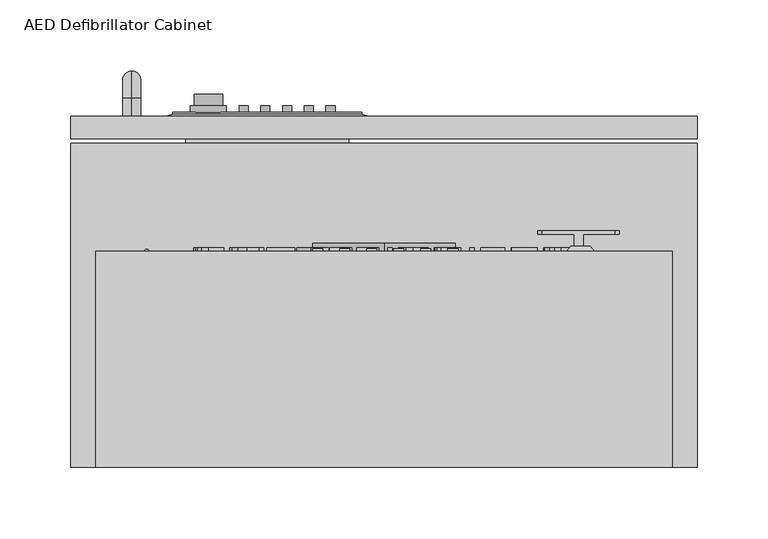
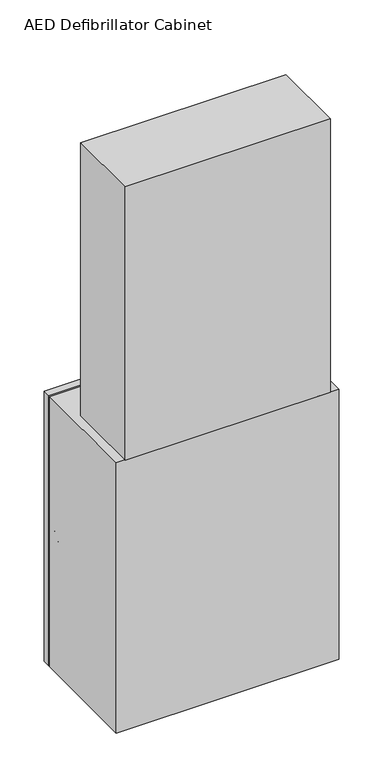
"""IFC4 building model written with IfcOpenShell, lengths in millimetres: proxy geometry, AED Defibrillator Cabinet."""

from ifc_helpers import new_model, si_unit, point, frame, frame_2d, origin, place, context, project, spatial, polyline, circle_curve, ellipse_curve, trimmed, segment, composite_curve, outline, extrude, faceted_brep, source, transform, mapped, element, save
from ifc_brep_helpers import plane_surface, cylinder_surface, revolved_surface, extruded_surface, advanced_brep


def aed_defibrillator_cabinet_aa2963c0(model_context):
    return source(origin(), model_context, "Body", "SolidModel", [
        faceted_brep([(-15.5662807, 350.6462657, 1050.925), (-148.9162807, 350.6462657, 1050.925), (-148.9162807, 350.6462657, 1069.975), (-15.5662807, 350.6462657, 1069.975), (-11.1125, 349.25, 1038.225), (-11.1125, 349.25, 1082.675), (-153.9875, 349.25, 1082.675), (-153.9875, 349.25, 1038.225)], [[[0, 1, 2, 3]], [[4, 5, 6, 7]], [[4, 7, 1, 0]], [[7, 6, 2, 1]], [[6, 5, 3, 2]], [[5, 4, 0, 3]]]),
        extrude(outline(polyline([(-139.7, 342.1343826), (-24.8172321, 342.1343826), (-24.8172321, 329.6839733), (-139.7, 329.6839733), (-139.7, 342.1343826)])), frame((0.0, 0.0, 1050.925), z_axis=(0.0, 0.0, 1.0), x_axis=(1.0, 0.0, 0.0)), (0.0, 0.0, 1.0), 19.05),
        advanced_brep(
        [(-113.7031588, 364.6089733, 1060.45), (-133.7508181, 364.6089733, 1060.45), (-113.7031588, 356.5736838, 1060.45), (-133.7508181, 356.5736838, 1060.45)],
        [
            (0, 1, ellipse_curve(frame((-123.7269885, 364.6089733, 1060.308908), z_axis=(0.0, 1.0, 0.0), x_axis=(-1.0, 0.0, 0.0)), 10.0366454, 2.7928582)),
            (1, 0, ellipse_curve(frame((-123.7269885, 364.6089733, 1060.591092), z_axis=(0.0, 1.0, 0.0), x_axis=(-1.0, 0.0, 0.0)), 10.0366454, 2.7928582)),
            (2, 3, ellipse_curve(frame((-123.7269885, 356.5736838, 1060.591092), z_axis=(0.0, -1.0, 0.0), x_axis=(-1.0, 0.0, 0.0)), 10.0366454, 2.7928582)),
            (3, 2, ellipse_curve(frame((-123.7269885, 356.5736838, 1060.308908), z_axis=(0.0, -1.0, 0.0), x_axis=(-1.0, 0.0, 0.0)), 10.0366454, 2.7928582)),
            (0, 2),
            (3, 1),
        ],
        [
            plane_surface(frame((-133.7636339, 364.6089733, 1060.308908), z_axis=(0.0, 1.0, 0.0), x_axis=(0.0, 0.0, 1.0))),
            plane_surface(frame((-133.7636339, 356.5736838, 1060.308908), z_axis=(0.0, -1.0, 0.0), x_axis=(0.0, 0.0, -1.0))),
            extruded_surface(trimmed(ellipse_curve(frame((-123.7269885, 348.5383944, 1060.308908), z_axis=(0.0, 1.0, 0.0), x_axis=(-1.0, 0.0, 0.0)), 10.0366454, 2.7928582), [point((-113.7031588, 348.5383944, 1060.45))], [point((-133.7508181, 348.5383944, 1060.45))], True, "CARTESIAN"), (0.0, 8.03528940000001, 0.0), 8.03528940000001),
            extruded_surface(trimmed(ellipse_curve(frame((-123.7269885, 348.5383944, 1060.591092), z_axis=(0.0, 1.0, 0.0), x_axis=(-1.0, 0.0, 0.0)), 10.0366454, 2.7928582), [point((-133.7508181, 348.5383944, 1060.45))], [point((-113.7031588, 348.5383944, 1060.45))], True, "CARTESIAN"), (0.0, 8.03528940000001, 0.0), 8.03528940000001),
        ],
        [
            (0, [[1, 2]]),
            (1, [[3, 4]]),
            (2, [[-1, 5, -4, 6]]),
            (3, [[-2, -6, -3, -5]]),
        ],
    ),
        extrude(outline(composite_curve([segment(trimmed(circle_curve(frame_2d((1060.45, -99.0035386)), 3.175), [point((1060.45, -102.1785386))], [point((1060.45, -95.8285386))], False, "CARTESIAN"), True, "CONTINUOUS"), segment(trimmed(circle_curve(frame_2d((1060.45, -99.0035386)), 3.175), [point((1060.45, -95.8285386))], [point((1060.45, -102.1785386))], False, "CARTESIAN"), True, "CONTINUOUS")], self_intersect=False)), frame((0.0, 351.9089733, 0.0), z_axis=(0.0, 1.0, 0.0), x_axis=(0.0, 0.0, 1.0)), (0.0, 0.0, 1.0), 4.6647105),
        extrude(outline(composite_curve([segment(trimmed(circle_curve(frame_2d((1060.45, -83.6807345)), 3.175), [point((1060.45, -86.8557345))], [point((1060.45, -80.5057345))], False, "CARTESIAN"), True, "CONTINUOUS"), segment(trimmed(circle_curve(frame_2d((1060.45, -83.6807345)), 3.175), [point((1060.45, -80.5057345))], [point((1060.45, -86.8557345))], False, "CARTESIAN"), True, "CONTINUOUS")], self_intersect=False)), frame((0.0, 351.9089733, 0.0), z_axis=(0.0, 1.0, 0.0), x_axis=(0.0, 0.0, 1.0)), (0.0, 0.0, 1.0), 4.6647105),
        extrude(outline(composite_curve([segment(trimmed(circle_curve(frame_2d((1060.45, -68.3579304)), 3.175), [point((1060.45, -71.5329304))], [point((1060.45, -65.1829304))], False, "CARTESIAN"), True, "CONTINUOUS"), segment(trimmed(circle_curve(frame_2d((1060.45, -68.3579304)), 3.175), [point((1060.45, -65.1829304))], [point((1060.45, -71.5329304))], False, "CARTESIAN"), True, "CONTINUOUS")], self_intersect=False)), frame((0.0, 351.9089733, 0.0), z_axis=(0.0, 1.0, 0.0), x_axis=(0.0, 0.0, 1.0)), (0.0, 0.0, 1.0), 4.6647105),
        extrude(outline(composite_curve([segment(trimmed(circle_curve(frame_2d((1060.45, -53.0351263)), 3.175), [point((1060.45, -56.2101263))], [point((1060.45, -49.8601263))], False, "CARTESIAN"), True, "CONTINUOUS"), segment(trimmed(circle_curve(frame_2d((1060.45, -53.0351263)), 3.175), [point((1060.45, -49.8601263))], [point((1060.45, -56.2101263))], False, "CARTESIAN"), True, "CONTINUOUS")], self_intersect=False)), frame((0.0, 351.9089733, 0.0), z_axis=(0.0, 1.0, 0.0), x_axis=(0.0, 0.0, 1.0)), (0.0, 0.0, 1.0), 4.6647105),
        extrude(outline(composite_curve([segment(trimmed(circle_curve(frame_2d((1060.45, -37.7123222)), 3.175), [point((1060.45, -40.8873222))], [point((1060.45, -34.5373222))], False, "CARTESIAN"), True, "CONTINUOUS"), segment(trimmed(circle_curve(frame_2d((1060.45, -37.7123222)), 3.175), [point((1060.45, -34.5373222))], [point((1060.45, -40.8873222))], False, "CARTESIAN"), True, "CONTINUOUS")], self_intersect=False)), frame((0.0, 351.9089733, 0.0), z_axis=(0.0, 1.0, 0.0), x_axis=(0.0, 0.0, 1.0)), (0.0, 0.0, 1.0), 4.6647105),
        extrude(outline(composite_curve([segment(trimmed(circle_curve(frame_2d((1060.45, -124.0089509)), 12.7), [point((1060.45, -136.7089509))], [point((1060.45, -111.3089509))], False, "CARTESIAN"), True, "CONTINUOUS"), segment(trimmed(circle_curve(frame_2d((1060.45, -124.0089509)), 12.7), [point((1060.45, -111.3089509))], [point((1060.45, -136.7089509))], False, "CARTESIAN"), True, "CONTINUOUS")], self_intersect=False)), frame((0.0, 351.9089733, 0.0), z_axis=(0.0, 1.0, 0.0), x_axis=(0.0, 0.0, 1.0)), (0.0, 0.0, 1.0), 4.6647105),
        extrude(outline(polyline([(-148.9162807, 351.9089733), (-15.5662807, 351.9089733), (-15.5662807, 342.1343826), (-148.9162807, 342.1343826), (-148.9162807, 351.9089733)])), frame((0.0, 0.0, 1050.925), z_axis=(0.0, 0.0, 1.0), x_axis=(1.0, 0.0, 0.0)), (0.0, 0.0, 1.0), 19.05),
        advanced_brep(
        [(-177.8, 349.25, 1111.25), (-177.8, 349.25, 1123.95), (-177.8, 361.95, 1111.25), (-177.8, 361.95, 1123.95), (-177.8, 381.0, 1104.9), (-177.8, 368.3, 1104.9), (-177.8, 368.3, 1028.7), (-177.8, 381.0, 1028.7), (-177.8, 361.95, 1009.65), (-177.8, 361.95, 1022.35), (-177.8, 349.25, 1022.35), (-177.8, 349.25, 1009.65)],
        [
            (0, 1, circle_curve(frame((-177.8, 349.25, 1117.6), z_axis=(0.0, -1.0, 0.0), x_axis=(0.0, 0.0, 1.0)), 6.35)),
            (1, 0, circle_curve(frame((-177.8, 349.25, 1117.6), z_axis=(0.0, -1.0, 0.0), x_axis=(0.0, 0.0, 1.0)), 6.35)),
            (0, 2),
            (2, 3, circle_curve(frame((-177.8, 361.95, 1117.6), z_axis=(0.0, -1.0, 0.0), x_axis=(0.0, 0.0, 1.0)), 6.35)),
            (3, 1),
            (3, 2, circle_curve(frame((-177.8, 361.95, 1117.6), z_axis=(0.0, -1.0, 0.0), x_axis=(0.0, 0.0, 1.0)), 6.35)),
            (4, 3, circle_curve(frame((-177.8, 361.95, 1104.9), z_axis=(1.0, 0.0, 0.0), x_axis=(0.0, 0.0, 1.0)), 19.05)),
            (2, 5, circle_curve(frame((-177.8, 361.95, 1104.9), z_axis=(-1.0, 0.0, 0.0), x_axis=(0.0, 0.0, 1.0)), 6.35)),
            (5, 4, circle_curve(frame((-177.8, 374.65, 1104.9), z_axis=(0.0, 0.0, 1.0), x_axis=(0.0, 1.0, 0.0)), 6.35)),
            (4, 5, circle_curve(frame((-177.8, 374.65, 1104.9), z_axis=(0.0, 0.0, 1.0), x_axis=(0.0, 1.0, 0.0)), 6.35)),
            (5, 6),
            (6, 7, circle_curve(frame((-177.8, 374.65, 1028.7), z_axis=(0.0, 0.0, 1.0), x_axis=(0.0, 1.0, 0.0)), 6.35)),
            (7, 4),
            (7, 6, circle_curve(frame((-177.8, 374.65, 1028.7), z_axis=(0.0, 0.0, 1.0), x_axis=(0.0, 1.0, 0.0)), 6.35)),
            (8, 7, circle_curve(frame((-177.8, 361.95, 1028.7), z_axis=(1.0, 0.0, 0.0), x_axis=(0.0, 1.0, 0.0)), 19.05)),
            (6, 9, circle_curve(frame((-177.8, 361.95, 1028.7), z_axis=(-1.0, 0.0, 0.0), x_axis=(0.0, 1.0, 0.0)), 6.35)),
            (9, 8, circle_curve(frame((-177.8, 361.95, 1016.0), z_axis=(0.0, 1.0, 0.0), x_axis=(0.0, 0.0, -1.0)), 6.35)),
            (8, 9, circle_curve(frame((-177.8, 361.95, 1016.0), z_axis=(0.0, 1.0, 0.0), x_axis=(0.0, 0.0, -1.0)), 6.35)),
            (10, 11, circle_curve(frame((-177.8, 349.25, 1016.0), z_axis=(0.0, -1.0, 0.0), x_axis=(0.0, 0.0, -1.0)), 6.35)),
            (11, 10, circle_curve(frame((-177.8, 349.25, 1016.0), z_axis=(0.0, -1.0, 0.0), x_axis=(0.0, 0.0, -1.0)), 6.35)),
            (9, 10),
            (11, 8),
        ],
        [
            plane_surface(frame((-177.8, 349.25, 1123.95), z_axis=(0.0, -1.0, 0.0), x_axis=(1.0, 0.0, 0.0))),
            cylinder_surface(frame((-177.8, 349.25, 1117.6), z_axis=(0.0, -1.0, 0.0), x_axis=(0.0, 0.0, 1.0)), 6.35),
            revolved_surface(trimmed(ellipse_curve(frame((-177.8, 361.95, 1117.6), z_axis=(0.0, -1.0, 0.0), x_axis=(0.0, 0.0, 1.0)), 6.35, 6.35), [point((-177.8, 361.95, 1111.25))], [point((-177.8, 361.95, 1123.95))], True, "CARTESIAN"), (-177.8, 361.95, 1104.9), (-1.0, 0.0, 0.0)),
            revolved_surface(trimmed(ellipse_curve(frame((-177.8, 361.95, 1117.6), z_axis=(0.0, -1.0, 0.0), x_axis=(0.0, 0.0, 1.0)), 6.35, 6.35), [point((-177.8, 361.95, 1123.95))], [point((-177.8, 361.95, 1111.25))], True, "CARTESIAN"), (-177.8, 361.95, 1104.9), (-1.0, 0.0, 0.0)),
            cylinder_surface(frame((-177.8, 374.65, 1104.9), z_axis=(0.0, 0.0, 1.0), x_axis=(0.0, 1.0, 0.0)), 6.35),
            revolved_surface(trimmed(ellipse_curve(frame((-177.8, 374.65, 1028.7), z_axis=(0.0, 0.0, 1.0), x_axis=(0.0, 1.0, 0.0)), 6.35, 6.35), [point((-177.8, 368.3, 1028.7))], [point((-177.8, 381.0, 1028.7))], True, "CARTESIAN"), (-177.8, 361.95, 1028.7), (-1.0, 0.0, 0.0)),
            revolved_surface(trimmed(ellipse_curve(frame((-177.8, 374.65, 1028.7), z_axis=(0.0, 0.0, 1.0), x_axis=(0.0, 1.0, 0.0)), 6.35, 6.35), [point((-177.8, 381.0, 1028.7))], [point((-177.8, 368.3, 1028.7))], True, "CARTESIAN"), (-177.8, 361.95, 1028.7), (-1.0, 0.0, 0.0)),
            plane_surface(frame((-177.8, 349.25, 1022.35), z_axis=(0.0, -1.0, 0.0), x_axis=(-1.0, 0.0, 0.0))),
            cylinder_surface(frame((-177.8, 361.95, 1016.0), z_axis=(0.0, 1.0, 0.0), x_axis=(0.0, 0.0, -1.0)), 6.35),
        ],
        [
            (0, [[1, 2]]),
            (1, [[-1, 3, 4, 5]]),
            (1, [[-2, -5, 6, -3]]),
            (2, [[7, -4, 8, 9]]),
            (3, [[-8, -6, -7, 10]]),
            (4, [[-9, 11, 12, 13]]),
            (4, [[-10, -13, 14, -11]]),
            (5, [[15, -12, 16, 17]]),
            (6, [[-16, -14, -15, 18]]),
            (7, [[19, 20]]),
            (8, [[-17, 21, -20, 22]]),
            (8, [[-18, -22, -19, -21]]),
        ],
    ),
        extrude(outline(polyline([(1860.787211, 133.1619409), (1885.7964417, 133.1619409), (1885.7964417, 124.534489), (1885.4362013, 120.0711716), (1883.647211, 116.3954986), (1879.3731725, 113.4342005), (1873.4261533, 112.4511716), (1868.379735, 113.1167005), (1864.7376437, 114.8263159), (1862.4693504, 117.1098736), (1861.2146148, 120.0986476), (1860.787211, 124.1192966), (1860.787211, 133.1619409)]), holes=[polyline([(1863.9133648, 130.035787), (1863.9133648, 124.5039601), (1864.3651917, 120.4802582), (1865.6412975, 118.1600659), (1868.7460812, 116.2581188), (1873.4749994, 115.5773255), (1879.3975956, 116.9114361), (1882.1696148, 120.1566524), (1882.6702879, 124.5894409), (1882.6702879, 130.035787), (1863.9133648, 130.035787)])]), frame((0.0, 254.0, 0.0), z_axis=(0.0, 1.0, 0.0), x_axis=(0.0, 0.0, 1.0)), (0.0, 0.0, 1.0), 2.38125),
        extrude(outline(polyline([(1860.787211, 108.1527101), (1885.7964417, 108.1527101), (1885.7964417, 90.1773255), (1882.6702879, 90.1773255), (1882.6702879, 105.0265563), (1875.2456725, 105.0265563), (1875.2456725, 90.958864), (1872.1195187, 90.958864), (1872.1195187, 105.0265563), (1863.9133648, 105.0265563), (1863.9133648, 89.7865563), (1860.787211, 89.7865563), (1860.787211, 108.1527101)])), frame((0.0, 254.0, 0.0), z_axis=(0.0, 1.0, 0.0), x_axis=(0.0, 0.0, 1.0)), (0.0, 0.0, 1.0), 2.38125),
        extrude(outline(polyline([(1860.787211, 85.0973255), (1885.7964417, 85.0973255), (1885.7964417, 68.2942486), (1882.6702879, 68.2942486), (1882.6702879, 81.9711716), (1875.2456725, 81.9711716), (1875.2456725, 70.2480947), (1872.1195187, 70.2480947), (1872.1195187, 81.9711716), (1860.787211, 81.9711716), (1860.787211, 85.0973255)])), frame((0.0, 254.0, 0.0), z_axis=(0.0, 1.0, 0.0), x_axis=(0.0, 0.0, 1.0)), (0.0, 0.0, 1.0), 2.38125),
        extrude(outline(polyline([(60.478864, 256.38125), (63.6050178, 256.38125), (63.6050178, 254.0), (60.478864, 254.0), (60.478864, 256.38125)])), frame((0.0, 0.0, 1860.787211), z_axis=(0.0, 0.0, 1.0), x_axis=(1.0, 0.0, 0.0)), (0.0, 0.0, 1.0), 25.0092308),
        extrude(outline(polyline([(1860.787211, 54.2265563), (1885.7964417, 54.2265563), (1885.7964417, 44.683239), (1885.0606965, 40.0092726), (1882.798509, 37.2494649), (1879.599086, 36.2511716), (1876.6774754, 37.0907149), (1874.464134, 39.627662), (1872.1317302, 36.5473015), (1868.2423552, 35.4696332), (1864.8811292, 36.2053784), (1862.4876677, 38.0279505), (1861.2176677, 40.7480707), (1860.787211, 44.7565082), (1860.787211, 54.2265563)]), holes=[polyline([(1875.6364417, 51.1004024), (1875.6364417, 45.3915082), (1875.9050956, 42.0577582), (1877.0621388, 40.052013), (1879.0984129, 39.3773255), (1881.1377398, 40.0062197), (1882.3436292, 41.8074216), (1882.6702879, 45.8250178), (1882.6702879, 51.1004024), (1875.6364417, 51.1004024)]), polyline([(1863.9133648, 51.1004024), (1863.9133648, 44.6893447), (1864.0354802, 42.3691524), (1864.7162735, 40.4061476), (1866.105336, 39.1056188), (1868.2118263, 38.595787), (1870.6419225, 39.1941524), (1872.0920427, 41.1327341), (1872.5102879, 44.9946332), (1872.5102879, 51.1004024), (1863.9133648, 51.1004024)])]), frame((0.0, 254.0, 0.0), z_axis=(0.0, 1.0, 0.0), x_axis=(0.0, 0.0, 1.0)), (0.0, 0.0, 1.0), 2.38125),
        extrude(outline(polyline([(1860.787211, 31.1711716), (1885.7964417, 31.1711716), (1885.7964417, 20.394489), (1885.1217542, 15.3908111), (1882.7343985, 12.6554265), (1878.9518744, 11.6327101), (1874.4458167, 13.3270611), (1872.1195187, 18.5627582), (1870.7823552, 16.7859793), (1867.5646148, 14.2520851), (1860.787211, 10.0818447), (1860.787211, 13.7147774), (1865.971009, 16.9691524), (1869.4024513, 19.3198736), (1871.0235331, 20.9714841), (1871.6188456, 22.458239), (1871.7287494, 24.2716524), (1871.7287494, 28.0450178), (1860.787211, 28.0450178), (1860.787211, 31.1711716)]), holes=[polyline([(1874.8549033, 28.0450178), (1874.8549033, 21.0478063), (1875.2975715, 17.4789841), (1876.71411, 15.4518688), (1878.8358648, 14.758864), (1881.5895667, 16.080763), (1882.6702879, 20.260162), (1882.6702879, 28.0450178), (1874.8549033, 28.0450178)])]), frame((0.0, 254.0, 0.0), z_axis=(0.0, 1.0, 0.0), x_axis=(0.0, 0.0, 1.0)), (0.0, 0.0, 1.0), 2.38125),
        extrude(outline(polyline([(2.6450178, 256.38125), (5.7711716, 256.38125), (5.7711716, 254.0), (2.6450178, 254.0), (2.6450178, 256.38125)])), frame((0.0, 0.0, 1860.787211), z_axis=(0.0, 0.0, 1.0), x_axis=(1.0, 0.0, 0.0)), (0.0, 0.0, 1.0), 25.0092308),
        extrude(outline(polyline([(1860.787211, -3.6072899), (1885.7964417, -3.6072899), (1885.7964417, -6.7334437), (1863.9133648, -6.7334437), (1863.9133648, -19.2380591), (1860.787211, -19.2380591), (1860.787211, -3.6072899)])), frame((0.0, 254.0, 0.0), z_axis=(0.0, 1.0, 0.0), x_axis=(0.0, 0.0, 1.0)), (0.0, 0.0, 1.0), 2.38125),
        extrude(outline(polyline([(1860.787211, -22.7549822), (1885.7964417, -22.7549822), (1885.7964417, -25.881136), (1863.9133648, -25.881136), (1863.9133648, -38.3857514), (1860.787211, -38.3857514), (1860.787211, -22.7549822)])), frame((0.0, 254.0, 0.0), z_axis=(0.0, 1.0, 0.0), x_axis=(0.0, 0.0, 1.0)), (0.0, 0.0, 1.0), 2.38125),
        extrude(outline(polyline([(1860.787211, -38.9902226), (1885.7964417, -48.9731553), (1885.7964417, -51.6352707), (1860.787211, -61.6182034), (1860.787211, -58.3149822), (1868.6025956, -55.4513764), (1868.6025956, -45.1509437), (1860.787211, -42.2934437), (1860.787211, -38.9902226)]), holes=[polyline([(1871.7287494, -46.2988284), (1871.7287494, -54.3095976), (1877.877259, -52.0565687), (1882.6702879, -50.304213), (1878.4145667, -48.7472418), (1871.7287494, -46.2988284)])]), frame((0.0, 254.0, 0.0), z_axis=(0.0, 1.0, 0.0), x_axis=(0.0, 0.0, 1.0)), (0.0, 0.0, 1.0), 2.38125),
        extrude(outline(polyline([(1860.787211, -71.2103668), (1882.6702879, -71.2103668), (1882.6702879, -63.004213), (1885.7964417, -63.004213), (1885.7964417, -82.5426745), (1882.6702879, -82.5426745), (1882.6702879, -74.3365207), (1860.787211, -74.3365207), (1860.787211, -71.2103668)])), frame((0.0, 254.0, 0.0), z_axis=(0.0, 1.0, 0.0), x_axis=(0.0, 0.0, 1.0)), (0.0, 0.0, 1.0), 2.38125),
        extrude(outline(polyline([(1872.9621148, -84.8872899), (1882.6763937, -88.2210399), (1886.187211, -96.8240687), (1884.5386533, -103.0458476), (1879.941009, -107.2710399), (1873.249086, -108.724213), (1866.4655763, -107.1947178), (1861.9350956, -102.8596216), (1860.3964417, -96.8057514), (1862.0968985, -90.5168091), (1866.7372831, -86.3160399), (1872.9621148, -84.8872899)]), holes=[polyline([(1872.931586, -88.0134437), (1866.0381725, -90.5137562), (1863.5225956, -96.7874341), (1866.0625956, -103.1160639), (1873.273509, -105.5980591), (1878.432884, -104.5356553), (1881.8490619, -101.4308716), (1883.0610571, -96.842386), (1880.7256004, -90.6206072), (1872.931586, -88.0134437)])]), frame((0.0, 254.0, 0.0), z_axis=(0.0, 1.0, 0.0), x_axis=(0.0, 0.0, 1.0)), (0.0, 0.0, 1.0), 2.38125),
        extrude(outline(polyline([(1860.787211, -113.0226745), (1885.7964417, -113.0226745), (1885.7964417, -123.7993572), (1885.1217542, -128.8030351), (1882.7343985, -131.5384197), (1878.9518744, -132.561136), (1874.4458167, -130.8667851), (1872.1195187, -125.631088), (1870.7823552, -127.4078668), (1867.5646148, -129.941761), (1860.787211, -134.1120014), (1860.787211, -130.4790687), (1865.971009, -127.2246937), (1869.4024513, -124.8739726), (1871.0235331, -123.222362), (1871.6188456, -121.7356072), (1871.7287494, -119.9221937), (1871.7287494, -116.1488284), (1860.787211, -116.1488284), (1860.787211, -113.0226745)]), holes=[polyline([(1874.8549033, -116.1488284), (1874.8549033, -123.1460399), (1875.2975715, -126.714862), (1876.71411, -128.7419774), (1878.8358648, -129.4349822), (1881.5895667, -128.1130832), (1882.6702879, -123.9336841), (1882.6702879, -116.1488284), (1874.8549033, -116.1488284)])]), frame((0.0, 254.0, 0.0), z_axis=(0.0, 1.0, 0.0), x_axis=(0.0, 0.0, 1.0)), (0.0, 0.0, 1.0), 2.38125),
        extrude(outline(composite_curve([segment(trimmed(circle_curve(frame_2d((1769.0906989, 15.3206763)), 20.3831094), [point((1753.7700226, 28.7649326))], [point((1782.5349552, 0.0))], False, "CARTESIAN"), True, "CONTINUOUS"), segment(trimmed(circle_curve(frame_2d((1769.0906989, -15.3206763)), 20.3831094), [point((1782.5349552, 0.0))], [point((1753.7700226, -28.7649326))], False, "CARTESIAN"), True, "CONTINUOUS"), segment(polyline([(1753.7700226, -28.7649326), (1719.4893109, 0.0), (1753.7700226, 28.7649326)]), True, "CONTINUOUS")], self_intersect=False), holes=[polyline([(1759.8462001, -4.3928443), (1758.2948475, -1.0659579), (1762.9416292, -1.0659579), (1761.1816526, 2.708324), (1765.0052486, 2.708324), (1757.4753519, 18.1923236), (1758.742388, 7.9393439), (1754.0956063, 7.9393439), (1756.6394607, 2.708324), (1751.9398984, 2.708324), (1755.2512276, -4.3928443), (1759.8462001, -4.3928443)]), polyline([(1765.0052486, -0.0697461), (1766.5566012, -3.3966324), (1761.9098195, -3.3966324), (1763.6697961, -7.1709144), (1759.8462001, -7.1709144), (1767.3760968, -22.654914), (1766.1090607, -12.4019342), (1770.7558424, -12.4019342), (1768.2119881, -7.1709144), (1772.9115504, -7.1709144), (1769.6002212, -0.0697461), (1765.0052486, -0.0697461)])]), frame((0.0, 241.674904, 0.0), z_axis=(0.0, 1.0, 0.0), x_axis=(0.0, 0.0, 1.0)), (0.0, 0.0, 1.0), 4.5777323),
        extrude(outline(composite_curve([segment(trimmed(circle_curve(frame_2d((1618.0923731, 1.0953977)), 211.9060004), [point((1817.0182447, -71.9296023))], [point((1817.0182447, 74.1203977))], True, "CARTESIAN"), True, "CONTINUOUS"), segment(trimmed(circle_curve(frame_2d((1656.1658678, 1.0953977)), 176.6525906), [point((1817.0182447, 74.1203977))], [point((1817.0182447, -71.9296023))], False, "CARTESIAN"), True, "CONTINUOUS")], self_intersect=False)), frame((0.0, 172.5911405, 0.0), z_axis=(0.0, 1.0, 0.0), x_axis=(0.0, 0.0, 1.0)), (0.0, 0.0, 1.0), 22.280329),
        extrude(outline(composite_curve([segment(trimmed(circle_curve(frame_2d((1791.6182447, -71.9296023)), 25.4), [point((1817.0182447, -71.9296023))], [point((1791.6182447, -97.3296023))], False, "CARTESIAN"), True, "CONTINUOUS"), segment(polyline([(1791.6182447, -97.3296023), (1474.1182447, -97.3296023), (1474.1182447, 99.5203977), (1791.6182447, 99.5203977)]), True, "CONTINUOUS"), segment(trimmed(circle_curve(frame_2d((1791.6182447, 74.1203977)), 25.4), [point((1791.6182447, 99.5203977))], [point((1817.0182447, 74.1203977))], False, "CARTESIAN"), True, "CONTINUOUS"), segment(polyline([(1817.0182447, 74.1203977), (1817.0182447, -71.9296023)]), True, "CONTINUOUS")], self_intersect=False)), frame((0.0, 124.7696001, 0.0), z_axis=(0.0, 1.0, 0.0), x_axis=(0.0, 0.0, 1.0)), (0.0, 0.0, 1.0), 116.9053039),
        extrude(outline(composite_curve([segment(trimmed(circle_curve(frame_2d((1624.0730917, 21.5236446)), 28.6357335), [point((1602.5494471, 40.4111525))], [point((1642.9605996, 0.0))], False, "CARTESIAN"), True, "CONTINUOUS"), segment(trimmed(circle_curve(frame_2d((1624.0730917, -21.5236446)), 28.6357335), [point((1642.9605996, 0.0))], [point((1602.5494471, -40.4111525))], False, "CARTESIAN"), True, "CONTINUOUS"), segment(polyline([(1602.5494471, -40.4111525), (1554.3893109, 0.0), (1602.5494471, 40.4111525)]), True, "CONTINUOUS")], self_intersect=False), holes=[polyline([(1635.8974806, -5.8183129), (1635.8974806, 8.1945867), (1614.2416473, 18.2928676), (1614.2416473, 3.9610096), (1598.289048, 11.7187872), (1598.289048, -2.4521104), (1567.0214019, 1.4118626), (1614.2416473, -21.5514273), (1614.2416473, -9.8909296), (1625.7517562, -15.2581815), (1625.7517562, -1.0872839), (1635.8974806, -5.8183129)])]), frame((0.0, 254.0, 0.0), z_axis=(0.0, 1.0, 0.0), x_axis=(0.0, 0.0, 1.0)), (0.0, 0.0, 1.0), 5.6781844),
        extrude(outline(composite_curve([segment(trimmed(circle_curve(frame_2d((1906.4887595, 10.4305226)), 3.6338831), [point((1906.4887595, 14.0644057))], [point((1906.4887595, 6.7966395))], False, "CARTESIAN"), True, "CONTINUOUS"), segment(trimmed(circle_curve(frame_2d((1906.4887595, 10.4305226)), 3.6338831), [point((1906.4887595, 6.7966395))], [point((1906.4887595, 14.0644057))], False, "CARTESIAN"), True, "CONTINUOUS")], self_intersect=False)), frame((0.0, 254.0, 0.0), z_axis=(0.0, 1.0, 0.0), x_axis=(0.0, 0.0, 1.0)), (0.0, 0.0, 1.0), 1.6651996),
        extrude(outline(composite_curve([segment(trimmed(circle_curve(frame_2d((1906.4887595, 29.4805226)), 3.6338831), [point((1906.4887595, 33.1144057))], [point((1906.4887595, 25.8466395))], False, "CARTESIAN"), True, "CONTINUOUS"), segment(trimmed(circle_curve(frame_2d((1906.4887595, 29.4805226)), 3.6338831), [point((1906.4887595, 25.8466395))], [point((1906.4887595, 33.1144057))], False, "CARTESIAN"), True, "CONTINUOUS")], self_intersect=False)), frame((0.0, 254.0, 0.0), z_axis=(0.0, 1.0, 0.0), x_axis=(0.0, 0.0, 1.0)), (0.0, 0.0, 1.0), 1.6651996),
        extrude(outline(composite_curve([segment(trimmed(circle_curve(frame_2d((1906.4887595, 48.5305226)), 3.6338831), [point((1906.4887595, 52.1644057))], [point((1906.4887595, 44.8966395))], False, "CARTESIAN"), True, "CONTINUOUS"), segment(trimmed(circle_curve(frame_2d((1906.4887595, 48.5305226)), 3.6338831), [point((1906.4887595, 44.8966395))], [point((1906.4887595, 52.1644057))], False, "CARTESIAN"), True, "CONTINUOUS")], self_intersect=False)), frame((0.0, 254.0, 0.0), z_axis=(0.0, 1.0, 0.0), x_axis=(0.0, 0.0, 1.0)), (0.0, 0.0, 1.0), 1.6651996),
        extrude(outline(composite_curve([segment(trimmed(circle_curve(frame_2d((1906.4887595, -8.6194774)), 3.6338831), [point((1906.4887595, -4.9855943))], [point((1906.4887595, -12.2533605))], False, "CARTESIAN"), True, "CONTINUOUS"), segment(trimmed(circle_curve(frame_2d((1906.4887595, -8.6194774)), 3.6338831), [point((1906.4887595, -12.2533605))], [point((1906.4887595, -4.9855943))], False, "CARTESIAN"), True, "CONTINUOUS")], self_intersect=False)), frame((0.0, 254.0, 0.0), z_axis=(0.0, 1.0, 0.0), x_axis=(0.0, 0.0, 1.0)), (0.0, 0.0, 1.0), 1.6651996),
        extrude(outline(composite_curve([segment(trimmed(circle_curve(frame_2d((1906.4887595, -27.6694774)), 3.6338831), [point((1906.4887595, -24.0355943))], [point((1906.4887595, -31.3033605))], False, "CARTESIAN"), True, "CONTINUOUS"), segment(trimmed(circle_curve(frame_2d((1906.4887595, -27.6694774)), 3.6338831), [point((1906.4887595, -31.3033605))], [point((1906.4887595, -24.0355943))], False, "CARTESIAN"), True, "CONTINUOUS")], self_intersect=False)), frame((0.0, 254.0, 0.0), z_axis=(0.0, 1.0, 0.0), x_axis=(0.0, 0.0, 1.0)), (0.0, 0.0, 1.0), 1.6651996),
        extrude(outline(composite_curve([segment(trimmed(circle_curve(frame_2d((1906.4887595, -46.7194774)), 3.6338831), [point((1906.4887595, -43.0855943))], [point((1906.4887595, -50.3533605))], False, "CARTESIAN"), True, "CONTINUOUS"), segment(trimmed(circle_curve(frame_2d((1906.4887595, -46.7194774)), 3.6338831), [point((1906.4887595, -50.3533605))], [point((1906.4887595, -43.0855943))], False, "CARTESIAN"), True, "CONTINUOUS")], self_intersect=False)), frame((0.0, 254.0, 0.0), z_axis=(0.0, 1.0, 0.0), x_axis=(0.0, 0.0, 1.0)), (0.0, 0.0, 1.0), 1.6651996),
        extrude(outline(composite_curve([segment(trimmed(circle_curve(frame_2d((-167.2486093, 254.0)), 1.4137689), [point((-168.6623782, 254.0))], [point((-165.8348404, 254.0))], False, "CARTESIAN"), True, "CONTINUOUS"), segment(polyline([(-165.8348404, 254.0), (-168.6623782, 254.0)]), True, "CONTINUOUS")], self_intersect=False)), frame((0.0, 0.0, 1380.2055799), z_axis=(0.0, 0.0, 1.0), x_axis=(1.0, 0.0, 0.0)), (0.0, 0.0, 1.0), 513.5831571),
        advanced_brep(
        [(145.4778031, 257.278904, 1908.0253399), (131.5516811, 257.278904, 1908.0253399), (144.1062952, 257.278904, 1908.0253399), (132.923189, 257.278904, 1908.0253399), (148.3255305, 254.0, 1908.0253399), (128.7039537, 254.0, 1908.0253399), (132.923189, 254.0, 1908.0253399), (144.1062952, 254.0, 1908.0253399)],
        [
            (0, 1, circle_curve(frame((138.5147421, 257.278904, 1908.0253399), z_axis=(0.0, 1.0, 0.0), x_axis=(1.0, 0.0, 0.0)), 6.963061)),
            (1, 0, circle_curve(frame((138.5147421, 257.278904, 1908.0253399), z_axis=(0.0, 1.0, 0.0), x_axis=(-1.0, 0.0, 0.0)), 6.963061)),
            (2, 3, circle_curve(frame((138.5147421, 257.278904, 1908.0253399), z_axis=(0.0, -1.0, 0.0), x_axis=(-1.0, 0.0, 0.0)), 5.5915531)),
            (3, 2, circle_curve(frame((138.5147421, 257.278904, 1908.0253399), z_axis=(0.0, -1.0, 0.0), x_axis=(-1.0, 0.0, 0.0)), 5.5915531)),
            (4, 5, circle_curve(frame((138.5147421, 254.0, 1908.0253399), z_axis=(0.0, -1.0, 0.0), x_axis=(-1.0, 0.0, 0.0)), 9.8107884)),
            (5, 4, circle_curve(frame((138.5147421, 254.0, 1908.0253399), z_axis=(0.0, -1.0, 0.0), x_axis=(1.0, 0.0, 0.0)), 9.8107884)),
            (6, 7, circle_curve(frame((138.5147421, 254.0, 1908.0253399), z_axis=(0.0, 1.0, 0.0), x_axis=(-1.0, 0.0, 0.0)), 5.5915531)),
            (7, 6, circle_curve(frame((138.5147421, 254.0, 1908.0253399), z_axis=(0.0, 1.0, 0.0), x_axis=(-1.0, 0.0, 0.0)), 5.5915531)),
            (0, 4),
            (5, 1),
            (2, 7),
            (6, 3),
        ],
        [
            plane_surface(frame((138.5147421, 257.278904, 1908.0253399), z_axis=(0.0, 1.0, 0.0), x_axis=(0.0, 0.0, -1.0))),
            plane_surface(frame((138.5147421, 254.0, 1908.0253399), z_axis=(0.0, -1.0, 0.0), x_axis=(0.0, 0.0, -1.0))),
            revolved_surface(polyline([(145.47780309205447, 257.278904, 1908.0253399), (148.3255305, 254.0, 1908.0253399)]), (138.5147421, 265.2962474, 1908.0253399), (0.0, -1.0, 0.0)),
            revolved_surface(polyline([(131.55168110794554, 257.278904, 1908.0253399), (128.7039537, 254.0, 1908.0253399)]), (138.5147421, 265.2962474, 1908.0253399), (0.0, -1.0, 0.0)),
            revolved_surface(polyline([(132.923189, 254.0, 1908.0253399), (132.923189, 257.278904, 1908.0253399)]), (138.5147421, 262.0521322, 1908.0253399), (0.0, -1.0, 0.0)),
        ],
        [
            (0, [[1, 2], [3, 4]]),
            (1, [[5, 6], [7, 8]]),
            (2, [[-1, 9, -6, 10]]),
            (3, [[-2, -10, -5, -9]]),
            (4, [[11, -7, 12, -3]]),
            (4, [[-11, -4, -12, -8]]),
        ],
    ),
        advanced_brep(
        [(138.8740385, 257.278904, 1910.4866697), (138.8740385, 257.278904, 1912.1725106), (138.0745497, 257.278904, 1912.1725106), (138.0745497, 257.278904, 1910.4866697), (138.8740385, 254.0, 1912.1725106), (138.8740385, 254.0, 1910.4866697), (138.0745497, 254.0, 1910.4866697), (138.0745497, 254.0, 1912.1725106)],
        [
            (0, 1),
            (1, 2, circle_curve(frame((138.4742941, 257.278904, 1908.0387559), z_axis=(0.0, 1.0, 0.0), x_axis=(-1.0, 0.0, 0.0)), 4.1530378)),
            (2, 3),
            (3, 0),
            (4, 5),
            (5, 6),
            (6, 7),
            (7, 4, circle_curve(frame((138.4742941, 254.0, 1908.0387559), z_axis=(0.0, -1.0, 0.0), x_axis=(-1.0, 0.0, 0.0)), 4.1530378)),
            (0, 5),
            (4, 1),
            (7, 2),
            (6, 3),
        ],
        [
            plane_surface(frame((138.5147421, 257.278904, 1908.0253399), z_axis=(0.0, 1.0, 0.0), x_axis=(0.0, 0.0, -1.0))),
            plane_surface(frame((138.5147421, 254.0, 1908.0253399), z_axis=(0.0, -1.0, 0.0), x_axis=(0.0, 0.0, -1.0))),
            plane_surface(frame((138.8740385, 246.330433, 1910.4866697), z_axis=(-1.0, 0.0, 0.0), x_axis=(0.0, 1.0, 0.0))),
            cylinder_surface(frame((138.4742941, 254.0, 1908.0387559), z_axis=(0.0, 1.0, 0.0), x_axis=(-1.0, 0.0, 0.0)), 4.1530378),
            plane_surface(frame((138.0745497, 246.330433, 1912.1725106), z_axis=(1.0, 0.0, 0.0), x_axis=(0.0, 1.0, 0.0))),
            plane_surface(frame((138.0745497, 246.330433, 1910.4866697), z_axis=(0.0, 0.0, 1.0), x_axis=(0.0, 1.0, 0.0))),
        ],
        [
            (0, [[1, 2, 3, 4]]),
            (1, [[5, 6, 7, 8]]),
            (2, [[9, -5, 10, -1]]),
            (3, [[-10, -8, 11, -2]]),
            (4, [[-11, -7, 12, -3]]),
            (5, [[-9, -4, -12, -6]]),
        ],
    ),
        advanced_brep(
        [(133.9365426, 254.0, 1667.5965264), (133.9365426, 254.0, 1648.5465264), (140.2865426, 254.0, 1648.5465264), (140.2865426, 254.0, 1667.5965264), (140.2865426, 265.83923, 1667.5965264), (162.5115426, 265.83923, 1667.5965264), (162.5115426, 268.3454568, 1667.5965264), (111.7115426, 268.3454568, 1667.5965264), (111.7115426, 265.83923, 1667.5965264), (133.9365426, 265.83923, 1667.5965264), (140.2865426, 265.83923, 1648.5465264), (133.9365426, 265.83923, 1648.5465264), (111.7115426, 265.83923, 1648.5465264), (111.7115426, 268.3454568, 1648.5465264), (162.5115426, 268.3454568, 1648.5465264), (162.5115426, 265.83923, 1648.5465264), (165.6865426, 268.3454568, 1664.4215264), (165.6865426, 268.3454568, 1651.7215264), (108.5365426, 268.3454568, 1651.7215264), (108.5365426, 268.3454568, 1664.4215264), (108.5365426, 265.83923, 1664.4215264), (108.5365426, 265.83923, 1651.7215264), (165.6865426, 265.83923, 1651.7215264), (165.6865426, 265.83923, 1664.4215264)],
        [
            (0, 1),
            (1, 2),
            (2, 3),
            (3, 0),
            (3, 4),
            (4, 5),
            (5, 6),
            (6, 7),
            (7, 8),
            (8, 9),
            (9, 0),
            (2, 10),
            (10, 4),
            (1, 11),
            (11, 12),
            (12, 13),
            (13, 14),
            (14, 15),
            (15, 10),
            (9, 11),
            (6, 16, circle_curve(frame((162.5115426, 268.3454568, 1664.4215264), z_axis=(0.0, 1.0, 0.0), x_axis=(-1.0, 0.0, 0.0)), 3.175)),
            (16, 17),
            (17, 14, circle_curve(frame((162.5115426, 268.3454568, 1651.7215264), z_axis=(0.0, 1.0, 0.0), x_axis=(-1.0, 0.0, 0.0)), 3.175)),
            (13, 18, circle_curve(frame((111.7115426, 268.3454568, 1651.7215264), z_axis=(0.0, 1.0, 0.0), x_axis=(-1.0, 0.0, 0.0)), 3.175)),
            (18, 19),
            (19, 7, circle_curve(frame((111.7115426, 268.3454568, 1664.4215264), z_axis=(0.0, 1.0, 0.0), x_axis=(-1.0, 0.0, 0.0)), 3.175)),
            (8, 20, circle_curve(frame((111.7115426, 265.83923, 1664.4215264), z_axis=(0.0, -1.0, 0.0), x_axis=(-1.0, 0.0, 0.0)), 3.175)),
            (20, 21),
            (21, 12, circle_curve(frame((111.7115426, 265.83923, 1651.7215264), z_axis=(0.0, -1.0, 0.0), x_axis=(-1.0, 0.0, 0.0)), 3.175)),
            (15, 22, circle_curve(frame((162.5115426, 265.83923, 1651.7215264), z_axis=(0.0, -1.0, 0.0), x_axis=(-1.0, 0.0, 0.0)), 3.175)),
            (22, 23),
            (23, 5, circle_curve(frame((162.5115426, 265.83923, 1664.4215264), z_axis=(0.0, -1.0, 0.0), x_axis=(-1.0, 0.0, 0.0)), 3.175)),
            (16, 23),
            (22, 17),
            (18, 21),
            (20, 19),
        ],
        [
            plane_surface(frame((140.2865426, 254.0, 1667.5965264), z_axis=(0.0, -1.0, 0.0), x_axis=(-1.0, 0.0, 0.0))),
            plane_surface(frame((133.9365426, 265.83923, 1667.5965264), z_axis=(0.0, 0.0, 1.0), x_axis=(0.0, -1.0, 0.0))),
            plane_surface(frame((140.2865426, 265.83923, 1667.5965264), z_axis=(1.0, 0.0, 0.0), x_axis=(0.0, -1.0, 0.0))),
            plane_surface(frame((140.2865426, 265.83923, 1648.5465264), z_axis=(0.0, 0.0, -1.0), x_axis=(0.0, -1.0, 0.0))),
            plane_surface(frame((133.9365426, 265.83923, 1648.5465264), z_axis=(-1.0, 0.0, 0.0), x_axis=(0.0, -1.0, 0.0))),
            plane_surface(frame((165.6865426, 268.3454568, 1667.5965264), z_axis=(0.0, 1.0, 0.0), x_axis=(1.0, 0.0, 0.0))),
            plane_surface(frame((165.6865426, 265.83923, 1667.5965264), z_axis=(0.0, -1.0, 0.0), x_axis=(-1.0, 0.0, 0.0))),
            plane_surface(frame((165.6865426, 268.3454568, 1664.4215264), z_axis=(1.0, 0.0, 0.0), x_axis=(0.0, -1.0, 0.0))),
            plane_surface(frame((108.5365426, 268.3454568, 1651.7215264), z_axis=(-1.0, 0.0, 0.0), x_axis=(0.0, -1.0, 0.0))),
            cylinder_surface(frame((162.5115426, 265.83923, 1664.4215264), z_axis=(0.0, 1.0, 0.0), x_axis=(-1.0, 0.0, 0.0)), 3.175),
            cylinder_surface(frame((162.5115426, 265.83923, 1651.7215264), z_axis=(0.0, 1.0, 0.0), x_axis=(-1.0, 0.0, 0.0)), 3.175),
            cylinder_surface(frame((111.7115426, 265.83923, 1651.7215264), z_axis=(0.0, 1.0, 0.0), x_axis=(-1.0, 0.0, 0.0)), 3.175),
            cylinder_surface(frame((111.7115426, 265.83923, 1664.4215264), z_axis=(0.0, 1.0, 0.0), x_axis=(-1.0, 0.0, 0.0)), 3.175),
        ],
        [
            (0, [[1, 2, 3, 4]]),
            (1, [[-4, 5, 6, 7, 8, 9, 10, 11]]),
            (2, [[-3, 12, 13, -5]]),
            (3, [[-2, 14, 15, 16, 17, 18, 19, -12]]),
            (4, [[-1, -11, 20, -14]]),
            (5, [[-8, 21, 22, 23, -17, 24, 25, 26]]),
            (6, [[27, 28, 29, -15, -20, -10]]),
            (6, [[30, 31, 32, -6, -13, -19]]),
            (7, [[-22, 33, -31, 34]]),
            (8, [[-25, 35, -28, 36]]),
            (9, [[-21, -7, -32, -33]]),
            (10, [[-23, -34, -30, -18]]),
            (11, [[-24, -16, -29, -35]]),
            (12, [[-26, -36, -27, -9]]),
        ],
    ),
        extrude(outline(composite_curve([segment(trimmed(circle_curve(frame_2d((1846.1605996, -131.7754302)), 6.35), [point((1852.5105996, -131.7754302))], [point((1846.1605996, -138.1254302))], False, "CARTESIAN"), True, "CONTINUOUS"), segment(polyline([(1846.1605996, -138.1254302), (1700.1105996, -138.1254302)]), True, "CONTINUOUS"), segment(trimmed(circle_curve(frame_2d((1700.1105996, -131.7754302)), 6.35), [point((1700.1105996, -138.1254302))], [point((1693.7605996, -131.7754302))], False, "CARTESIAN"), True, "CONTINUOUS"), segment(polyline([(1693.7605996, -131.7754302), (1693.7605996, 133.8959991)]), True, "CONTINUOUS"), segment(trimmed(circle_curve(frame_2d((1700.1105996, 133.8959991)), 6.35), [point((1693.7605996, 133.8959991))], [point((1700.1105996, 140.2459991))], False, "CARTESIAN"), True, "CONTINUOUS"), segment(polyline([(1700.1105996, 140.2459991), (1846.1605996, 140.2459991)]), True, "CONTINUOUS"), segment(trimmed(circle_curve(frame_2d((1846.1605996, 133.8959991)), 6.35), [point((1846.1605996, 140.2459991))], [point((1852.5105996, 133.8959991))], False, "CARTESIAN"), True, "CONTINUOUS"), segment(polyline([(1852.5105996, 133.8959991), (1852.5105996, -131.7754302)]), True, "CONTINUOUS")], self_intersect=False)), frame((0.0, 250.7942843, 0.0), z_axis=(0.0, 1.0, 0.0), x_axis=(0.0, 0.0, 1.0)), (0.0, 0.0, 1.0), 1.5286051),
        advanced_brep(
        [(-203.2, 254.0, 1352.55), (-203.2, 254.0, 1924.05), (203.2, 254.0, 1924.05), (203.2, 254.0, 1352.55), (-167.2486093, 254.0, 1894.2659913), (-167.2486093, 254.0, 1379.9159913), (169.3013907, 254.0, 1379.9159913), (169.3013907, 254.0, 1894.2659913), (144.1062952, 254.0, 1908.0253399), (132.923189, 254.0, 1908.0253399), (-203.2, 101.6, 1352.55), (203.2, 101.6, 1352.55), (203.2, 101.6, 1924.05), (-203.2, 101.6, 1924.05), (-167.2486093, 252.3228894, 1894.2659913), (-167.2486093, 252.3228894, 1379.9159913), (169.3013907, 252.3228894, 1379.9159913), (169.3013907, 252.3228894, 1894.2659913), (-196.85, 104.5064652, 1921.9333118), (196.85, 104.5064652, 1921.9333118), (196.85, 104.5064652, 1354.2656002), (-196.85, 104.5064652, 1354.2656002), (-196.85, 252.3228894, 1921.9333118), (-196.85, 252.3228894, 1354.2656002), (196.85, 252.3228894, 1354.2656002), (196.85, 252.3228894, 1921.9333118), (132.923189, 252.3228894, 1908.0253399), (144.1062952, 252.3228894, 1908.0253399)],
        [
            (0, 1),
            (1, 2),
            (2, 3),
            (3, 0),
            (4, 5),
            (5, 6),
            (6, 7),
            (7, 4),
            (8, 9, circle_curve(frame((138.5147421, 254.0, 1908.0253399), z_axis=(0.0, -1.0, 0.0), x_axis=(-1.0, 0.0, 0.0)), 5.5915531)),
            (9, 8, circle_curve(frame((138.5147421, 254.0, 1908.0253399), z_axis=(0.0, -1.0, 0.0), x_axis=(-1.0, 0.0, 0.0)), 5.5915531)),
            (10, 11),
            (11, 12),
            (12, 13),
            (13, 10),
            (0, 10),
            (13, 1),
            (12, 2),
            (11, 3),
            (4, 14),
            (14, 15),
            (15, 5),
            (15, 16),
            (16, 6),
            (16, 17),
            (17, 7),
            (17, 14),
            (18, 19),
            (19, 20),
            (20, 21),
            (21, 18),
            (22, 23),
            (23, 24),
            (24, 25),
            (25, 22),
            (26, 27, circle_curve(frame((138.5147421, 252.3228894, 1908.0253399), z_axis=(0.0, 1.0, 0.0), x_axis=(-1.0, 0.0, 0.0)), 5.5915531)),
            (27, 26, circle_curve(frame((138.5147421, 252.3228894, 1908.0253399), z_axis=(0.0, 1.0, 0.0), x_axis=(-1.0, 0.0, 0.0)), 5.5915531)),
            (21, 23),
            (22, 18),
            (20, 24),
            (19, 25),
            (8, 27),
            (26, 9),
        ],
        [
            plane_surface(frame((-203.2, 254.0, 1352.55), z_axis=(0.0, 1.0, 0.0), x_axis=(0.0, 0.0, 1.0))),
            plane_surface(frame((-203.2, 101.6, 1352.55), z_axis=(0.0, -1.0, 0.0), x_axis=(0.0, 0.0, -1.0))),
            plane_surface(frame((-203.2, 254.0, 1352.55), z_axis=(-1.0, 0.0, 0.0), x_axis=(0.0, -1.0, 0.0))),
            plane_surface(frame((-203.2, 254.0, 1924.05), z_axis=(0.0, 0.0, 1.0), x_axis=(0.0, -1.0, 0.0))),
            plane_surface(frame((203.2, 254.0, 1924.05), z_axis=(1.0, 0.0, 0.0), x_axis=(0.0, -1.0, 0.0))),
            plane_surface(frame((203.2, 254.0, 1352.55), z_axis=(0.0, 0.0, -1.0), x_axis=(0.0, -1.0, 0.0))),
            plane_surface(frame((-167.2486093, 246.330433, 1894.2659913), z_axis=(1.0, 0.0, 0.0), x_axis=(0.0, 1.0, 0.0))),
            plane_surface(frame((-167.2486093, 246.330433, 1379.9159913), z_axis=(0.0, 0.0, 1.0), x_axis=(0.0, 1.0, 0.0))),
            plane_surface(frame((169.3013907, 246.330433, 1379.9159913), z_axis=(-1.0, 0.0, 0.0), x_axis=(0.0, 1.0, 0.0))),
            plane_surface(frame((169.3013907, 246.330433, 1894.2659913), z_axis=(0.0, 0.0, -1.0), x_axis=(0.0, 1.0, 0.0))),
            plane_surface(frame((-196.85, 104.5064652, 1908.0932513), z_axis=(0.0, 1.0, 0.0), x_axis=(0.0, 0.0, -1.0))),
            plane_surface(frame((-196.85, 252.3228894, 1908.0932513), z_axis=(0.0, -1.0, 0.0), x_axis=(0.0, 0.0, 1.0))),
            plane_surface(frame((-196.85, 104.5064652, 1921.9333118), z_axis=(1.0, 0.0, 0.0), x_axis=(0.0, 1.0, 0.0))),
            plane_surface(frame((-196.85, 104.5064652, 1354.2656002), z_axis=(0.0, 0.0, 1.0), x_axis=(0.0, 1.0, 0.0))),
            plane_surface(frame((196.85, 104.5064652, 1354.2656002), z_axis=(-1.0, 0.0, 0.0), x_axis=(0.0, 1.0, 0.0))),
            plane_surface(frame((196.85, 104.5064652, 1921.9333118), z_axis=(0.0, 0.0, -1.0), x_axis=(0.0, 1.0, 0.0))),
            revolved_surface(polyline([(132.923189, 252.3228894, 1908.0253399), (132.923189, 254.0, 1908.0253399)]), (138.5147421, 262.0521322, 1908.0253399), (0.0, -1.0, 0.0)),
        ],
        [
            (0, [[1, 2, 3, 4], [5, 6, 7, 8], [9, 10]]),
            (1, [[11, 12, 13, 14]]),
            (2, [[-1, 15, -14, 16]]),
            (3, [[-2, -16, -13, 17]]),
            (4, [[-3, -17, -12, 18]]),
            (5, [[-4, -18, -11, -15]]),
            (6, [[-5, 19, 20, 21]]),
            (7, [[-6, -21, 22, 23]]),
            (8, [[-7, -23, 24, 25]]),
            (9, [[-8, -25, 26, -19]]),
            (10, [[27, 28, 29, 30]]),
            (11, [[31, 32, 33, 34], [-20, -26, -24, -22], [35, 36]]),
            (12, [[-30, 37, -31, 38]]),
            (13, [[-29, 39, -32, -37]]),
            (14, [[-28, 40, -33, -39]]),
            (15, [[-27, -38, -34, -40]]),
            (16, [[41, -35, 42, -9]]),
            (16, [[-41, -10, -42, -36]]),
        ],
    ),
        advanced_brep(
        [(-166.819737, 254.0, 1893.788737), (168.8773797, 254.0, 1893.788737), (168.8773797, 254.0, 1380.2055799), (-166.819737, 254.0, 1380.2055799), (-131.7754302, 254.0, 1852.5105996), (-138.1254302, 254.0, 1846.1605996), (-138.1254302, 254.0, 1700.1105996), (-131.7754302, 254.0, 1693.7605996), (133.8959991, 254.0, 1693.7605996), (140.2459991, 254.0, 1700.1105996), (140.2459991, 254.0, 1846.1605996), (133.8959991, 254.0, 1852.5105996), (-166.819737, 252.3228894, 1893.788737), (168.8773797, 252.3228894, 1893.788737), (168.8773797, 252.3228894, 1380.2055799), (-166.819737, 252.3228894, 1380.2055799), (-131.7754302, 252.3228894, 1852.5105996), (-138.1254302, 252.3228894, 1846.1605996), (-138.1254302, 252.3228894, 1700.1105996), (-131.7754302, 252.3228894, 1693.7605996), (133.8959991, 252.3228894, 1693.7605996), (140.2459991, 252.3228894, 1700.1105996), (140.2459991, 252.3228894, 1846.1605996), (133.8959991, 252.3228894, 1852.5105996)],
        [
            (0, 1),
            (1, 2),
            (2, 3),
            (3, 0),
            (4, 5, circle_curve(frame((-131.7754302, 254.0, 1846.1605996), z_axis=(0.0, -1.0, 0.0), x_axis=(-1.0, 0.0, 0.0)), 6.35)),
            (5, 6),
            (6, 7, circle_curve(frame((-131.7754302, 254.0, 1700.1105996), z_axis=(0.0, -1.0, 0.0), x_axis=(-1.0, 0.0, 0.0)), 6.35)),
            (7, 8),
            (8, 9, circle_curve(frame((133.8959991, 254.0, 1700.1105996), z_axis=(0.0, -1.0, 0.0), x_axis=(-1.0, 0.0, 0.0)), 6.35)),
            (9, 10),
            (10, 11, circle_curve(frame((133.8959991, 254.0, 1846.1605996), z_axis=(0.0, -1.0, 0.0), x_axis=(-1.0, 0.0, 0.0)), 6.35)),
            (11, 4),
            (0, 12),
            (12, 13),
            (13, 1),
            (13, 14),
            (14, 2),
            (14, 15),
            (15, 3),
            (15, 12),
            (4, 16),
            (16, 17, circle_curve(frame((-131.7754302, 252.3228894, 1846.1605996), z_axis=(0.0, -1.0, 0.0), x_axis=(-1.0, 0.0, 0.0)), 6.35)),
            (17, 5),
            (17, 18),
            (18, 6),
            (18, 19, circle_curve(frame((-131.7754302, 252.3228894, 1700.1105996), z_axis=(0.0, -1.0, 0.0), x_axis=(-1.0, 0.0, 0.0)), 6.35)),
            (19, 7),
            (19, 20),
            (20, 8),
            (20, 21, circle_curve(frame((133.8959991, 252.3228894, 1700.1105996), z_axis=(0.0, -1.0, 0.0), x_axis=(-1.0, 0.0, 0.0)), 6.35)),
            (21, 9),
            (21, 22),
            (22, 10),
            (22, 23, circle_curve(frame((133.8959991, 252.3228894, 1846.1605996), z_axis=(0.0, -1.0, 0.0), x_axis=(-1.0, 0.0, 0.0)), 6.35)),
            (23, 11),
            (23, 16),
        ],
        [
            plane_surface(frame((-203.2, 254.0, 1352.55), z_axis=(0.0, 1.0, 0.0), x_axis=(0.0, 0.0, 1.0))),
            plane_surface(frame((-166.819737, 246.330433, 1893.788737), z_axis=(0.0, 0.0, 1.0), x_axis=(0.0, 1.0, 0.0))),
            plane_surface(frame((168.8773797, 246.330433, 1893.788737), z_axis=(1.0, 0.0, 0.0), x_axis=(0.0, 1.0, 0.0))),
            plane_surface(frame((168.8773797, 246.330433, 1380.2055799), z_axis=(0.0, 0.0, -1.0), x_axis=(0.0, 1.0, 0.0))),
            plane_surface(frame((-166.819737, 246.330433, 1380.2055799), z_axis=(-1.0, 0.0, 0.0), x_axis=(0.0, 1.0, 0.0))),
            revolved_surface(polyline([(-138.12543019999998, 252.3228894, 1846.1605996), (-138.12543019999998, 254.0, 1846.1605996)]), (-131.7754302, 291.5596084, 1846.1605996), (0.0, -1.0, 0.0)),
            plane_surface(frame((-138.1254302, 168.3119363, 1846.1605996), z_axis=(1.0, 0.0, 0.0), x_axis=(0.0, 1.0, 0.0))),
            revolved_surface(polyline([(-138.12543019999998, 252.3228894, 1700.1105996), (-138.12543019999998, 254.0, 1700.1105996)]), (-131.7754302, 291.5596084, 1700.1105996), (0.0, -1.0, 0.0)),
            plane_surface(frame((-131.7754302, 168.3119363, 1693.7605996), z_axis=(0.0, 0.0, 1.0), x_axis=(0.0, 1.0, 0.0))),
            revolved_surface(polyline([(127.54599910000002, 252.3228894, 1700.1105996), (127.54599910000002, 254.0, 1700.1105996)]), (133.8959991, 291.5596084, 1700.1105996), (0.0, -1.0, 0.0)),
            plane_surface(frame((140.2459991, 168.3119363, 1700.1105996), z_axis=(-1.0, 0.0, 0.0), x_axis=(0.0, 1.0, 0.0))),
            revolved_surface(polyline([(127.54599910000002, 252.3228894, 1846.1605996), (127.54599910000002, 254.0, 1846.1605996)]), (133.8959991, 291.5596084, 1846.1605996), (0.0, -1.0, 0.0)),
            plane_surface(frame((133.8959991, 168.3119363, 1852.5105996), z_axis=(0.0, 0.0, -1.0), x_axis=(0.0, 1.0, 0.0))),
            plane_surface(frame((-196.85, 252.3228894, 1908.0932513), z_axis=(0.0, -1.0, 0.0), x_axis=(0.0, 0.0, 1.0))),
        ],
        [
            (0, [[1, 2, 3, 4], [5, 6, 7, 8, 9, 10, 11, 12]]),
            (1, [[-1, 13, 14, 15]]),
            (2, [[-2, -15, 16, 17]]),
            (3, [[-3, -17, 18, 19]]),
            (4, [[-4, -19, 20, -13]]),
            (5, [[-5, 21, 22, 23]]),
            (6, [[-6, -23, 24, 25]]),
            (7, [[-7, -25, 26, 27]]),
            (8, [[-8, -27, 28, 29]]),
            (9, [[-9, -29, 30, 31]]),
            (10, [[-10, -31, 32, 33]]),
            (11, [[-11, -33, 34, 35]]),
            (12, [[-12, -35, 36, -21]]),
            (13, [[-14, -20, -18, -16], [-22, -36, -34, -32, -30, -28, -26, -24]]),
        ],
    ),
        advanced_brep(
        [(138.8740385, 254.0, 1910.4866697), (138.8740385, 254.0, 1912.1725106), (138.0745497, 254.0, 1912.1725106), (138.0745497, 254.0, 1910.4866697), (138.8740385, 252.3228894, 1912.1725106), (138.8740385, 252.3228894, 1910.4866697), (138.0745497, 252.3228894, 1910.4866697), (138.0745497, 252.3228894, 1912.1725106)],
        [
            (0, 1),
            (1, 2, circle_curve(frame((138.4742941, 254.0, 1908.0387559), z_axis=(0.0, 1.0, 0.0), x_axis=(-1.0, 0.0, 0.0)), 4.1530378)),
            (2, 3),
            (3, 0),
            (4, 5),
            (5, 6),
            (6, 7),
            (7, 4, circle_curve(frame((138.4742941, 252.3228894, 1908.0387559), z_axis=(0.0, -1.0, 0.0), x_axis=(-1.0, 0.0, 0.0)), 4.1530378)),
            (0, 5),
            (4, 1),
            (7, 2),
            (6, 3),
        ],
        [
            plane_surface(frame((-203.2, 254.0, 1352.55), z_axis=(0.0, 1.0, 0.0), x_axis=(0.0, 0.0, 1.0))),
            plane_surface(frame((-196.85, 252.3228894, 1908.0932513), z_axis=(0.0, -1.0, 0.0), x_axis=(0.0, 0.0, 1.0))),
            plane_surface(frame((138.8740385, 246.330433, 1910.4866697), z_axis=(-1.0, 0.0, 0.0), x_axis=(0.0, 1.0, 0.0))),
            cylinder_surface(frame((138.4742941, 254.0, 1908.0387559), z_axis=(0.0, 1.0, 0.0), x_axis=(-1.0, 0.0, 0.0)), 4.1530378),
            plane_surface(frame((138.0745497, 246.330433, 1912.1725106), z_axis=(1.0, 0.0, 0.0), x_axis=(0.0, 1.0, 0.0))),
            plane_surface(frame((138.0745497, 246.330433, 1910.4866697), z_axis=(0.0, 0.0, 1.0), x_axis=(0.0, 1.0, 0.0))),
        ],
        [
            (0, [[1, 2, 3, 4]]),
            (1, [[5, 6, 7, 8]]),
            (2, [[9, -5, 10, -1]]),
            (3, [[-10, -8, 11, -2]]),
            (4, [[-11, -7, 12, -3]]),
            (5, [[-9, -4, -12, -6]]),
        ],
    ),
        extrude(outline(polyline([(-220.6625, 349.25), (220.6625, 349.25), (220.6625, 333.375), (-220.6625, 333.375), (-220.6625, 349.25)])), frame((0.0, 0.0, 787.4), z_axis=(0.0, 0.0, 1.0), x_axis=(1.0, 0.0, 0.0)), (0.0, 0.0, 1.0), 565.15),
        extrude(outline(polyline([(220.6625, 101.6), (-220.6625, 101.6), (-220.6625, 330.2), (220.6625, 330.2), (220.6625, 101.6)])), frame((0.0, 0.0, 787.4), z_axis=(0.0, 0.0, 1.0), x_axis=(1.0, 0.0, 0.0)), (0.0, 0.0, 1.0), 565.15),
    ])


if __name__ == "__main__":
    model = new_model("IFC4")
    model_context = context("Model", 3, world=origin())
    ifc_project = project(units=[si_unit("LENGTHUNIT", "METRE", prefix="MILLI")], contexts=[model_context])
    site = spatial("IfcSite", under=ifc_project)
    building = spatial("IfcBuilding", under=site)
    placement = place(None, origin())
    aed_defibrillator_cabinet_shape = aed_defibrillator_cabinet_aa2963c0(model_context)
    element("IfcBuildingElementProxy", 1, Name="AED Defibrillator Cabinet", ObjectType="AED Defibrillator Cabinet", at=placement, inside=building, context=model_context, shape_type="MappedRepresentation", body=[
        mapped(aed_defibrillator_cabinet_shape, transform((0.0, 0.0, 0.0), x_axis=(1.0, 0.0, 0.0), y_axis=(0.0, 1.0, 0.0), z_axis=(0.0, 0.0, 1.0))),
    ])
    save(model, "model.ifc")
